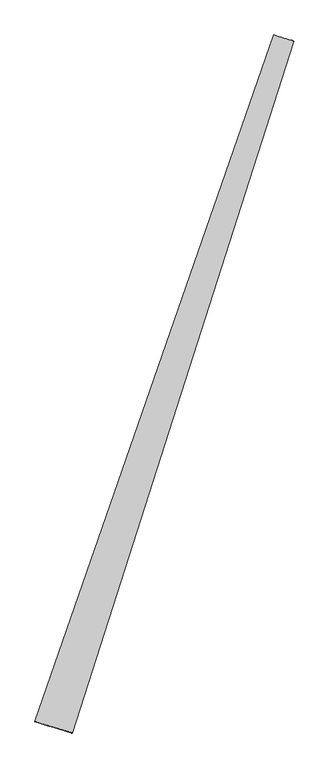
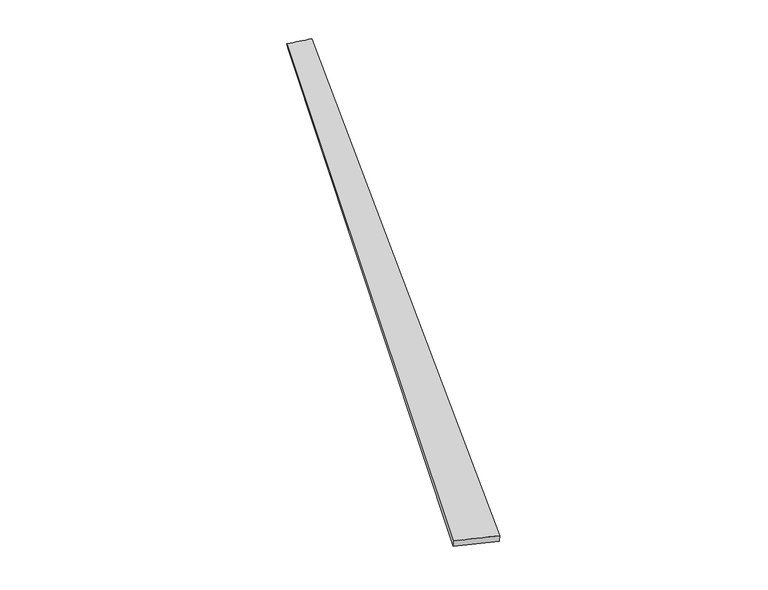
"""IFC4 building model written with IfcOpenShell, lengths in millimetres: proxy geometry."""

from ifc_helpers import new_model, si_unit, origin, place, context, project, spatial, source, transform, mapped, element, save
from ifc_brep_helpers import spline_surface, advanced_brep


def generic_models_a80ca429(model_context):
    return source(origin(), model_context, "Body", "AdvancedBrep", [
        advanced_brep(
        [(-667.647892, -1691.3746598, 2.8438175), (-668.4864179, -1691.0158952, 32.8299503), (657.4516542, 2120.8483183, 23.9075846), (662.8520457, 2118.8977962, -5.5378095), (-460.2074045, -1753.9412079, 27.0335523), (767.5074307, 2085.4846528, 35.5401638), (-462.7426491, -1753.0633758, -2.8462393), (767.5384955, 2085.5402395, 5.5402314)],
        [
            (0, 1),
            (1, 2),
            (2, 3),
            (3, 0),
            (1, 4),
            (4, 5),
            (5, 2),
            (4, 6),
            (6, 7),
            (7, 5),
            (6, 0),
            (3, 7),
        ],
        [
            spline_surface(1, 1, [[(-667.647892, -1691.3746598, 2.8438175), (662.8520457, 2118.8977962, -5.5378095)], [(-668.4864179, -1691.0158952, 32.8299503), (657.4516542, 2120.8483183, 23.9075846)]], [2, 2], [2, 2], [0.0, 1.0], [0.0, 1.0]),
            spline_surface(1, 1, [[(-668.4864179, -1691.0158952, 32.8299503), (657.4516542, 2120.8483183, 23.9075846)], [(-460.2074045, -1753.9412079, 27.0335523), (767.5074307, 2085.4846528, 35.5401638)]], [2, 2], [2, 2], [0.0, 1.0], [0.0, 1.0]),
            spline_surface(1, 1, [[(-460.2074045, -1753.9412079, 27.0335523), (767.5074307, 2085.4846528, 35.5401638)], [(-462.7426491, -1753.0633758, -2.8462393), (767.5384955, 2085.5402395, 5.5402314)]], [2, 2], [2, 2], [0.0, 1.0], [0.0, 1.0]),
            spline_surface(1, 1, [[(-462.7426491, -1753.0633758, -2.8462393), (767.5384955, 2085.5402395, 5.5402314)], [(-667.647892, -1691.3746598, 2.8438175), (662.8520457, 2118.8977962, -5.5378095)]], [2, 2], [2, 2], [0.0, 1.0], [0.0, 1.0]),
            spline_surface(1, 1, [[(657.4516542, 2120.8483183, 23.9075846), (662.8520457, 2118.8977962, -5.5378095)], [(767.5074307, 2085.4846528, 35.5401638), (767.5384955, 2085.5402395, 5.5402314)]], [2, 2], [2, 2], [0.0, 1.0], [0.0, 1.0]),
            spline_surface(1, 1, [[(-462.7426491, -1753.0633758, -2.8462393), (-667.647892, -1691.3746598, 2.8438175)], [(-460.2074045, -1753.9412079, 27.0335523), (-668.4864179, -1691.0158952, 32.8299503)]], [2, 2], [2, 2], [0.0, 1.0], [0.0, 1.0]),
        ],
        [
            (0, [[1, 2, 3, 4]]),
            (1, [[5, 6, 7, -2]]),
            (2, [[8, 9, 10, -6]]),
            (3, [[11, -4, 12, -9]]),
            (4, [[-3, -7, -10, -12]]),
            (5, [[-11, -8, -5, -1]]),
        ],
    ),
    ])


if __name__ == "__main__":
    model = new_model("IFC4")
    model_context = context("Model", 3, world=origin())
    ifc_project = project(units=[si_unit("LENGTHUNIT", "METRE", prefix="MILLI")], contexts=[model_context])
    site = spatial("IfcSite", under=ifc_project)
    building = spatial("IfcBuilding", under=site)
    placement = place(None, origin())
    generic_models_shape = generic_models_a80ca429(model_context)
    element("IfcBuildingElementProxy", 1, Name="Generic Models", at=placement, inside=building, context=model_context, shape_type="MappedRepresentation", body=[
        mapped(generic_models_shape, transform((0.0, 0.0, 0.0), x_axis=(1.0, 0.0, 0.0), y_axis=(0.0, 1.0, 0.0), z_axis=(0.0, 0.0, 1.0))),
    ])
    save(model, "model.ifc")
